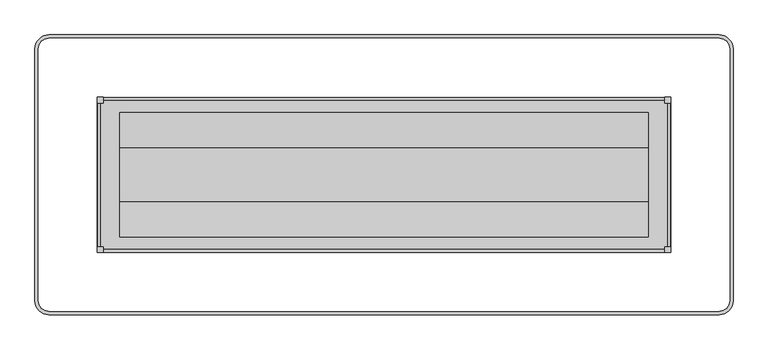
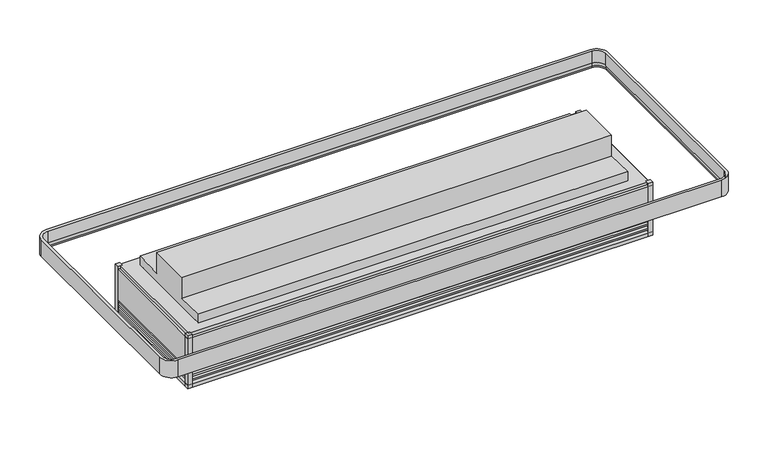
"""IFC4 building model written with IfcOpenShell, lengths in millimetres: proxy geometry."""

from ifc_helpers import new_model, si_unit, point, frame, frame_2d, origin, origin_with_axes, place, context, project, spatial, polyline, circle_curve, ellipse_curve, trimmed, segment, composite_curve, outline, extrude, source, transform, mapped, element, save
from ifc_brep_helpers import plane_surface, cylinder_surface, revolved_surface, advanced_brep


def mechanical_equipment_ae45bd52(model_context):
    return source(origin(), model_context, "Body", "SolidModel", [
        extrude(outline(polyline([(3085.8846585, -1349.5419805), (3390.6846585, -1349.5419805), (3390.6846585, -1451.1419805), (3085.8846585, -1451.1419805), (3085.8846585, -1349.5419805)])), frame((0.0, 0.0, 139.7), z_axis=(0.0, 0.0, 1.0), x_axis=(1.0, 0.0, 0.0)), (0.0, 0.0, 1.0), 53.975),
        extrude(outline(polyline([(3479.3606927, -1585.0986858), (3479.3606927, -1555.06782), (3509.3915585, -1555.06782), (3509.3915585, -1585.0986858), (3479.3606927, -1585.0986858)])), origin_with_axes(), (0.0, 0.0, 1.0), 374.65),
        extrude(outline(polyline([(3479.3606927, -741.6905688), (3509.3915585, -741.6905688), (3509.3915585, -771.7214346), (3479.3606927, -771.7214346), (3479.3606927, -741.6905688)])), origin_with_axes(), (0.0, 0.0, 1.0), 374.65),
        extrude(outline(polyline([(422.7143073, -1585.0986858), (392.6834415, -1585.0986858), (392.6834415, -1555.06782), (422.7143073, -1555.06782), (422.7143073, -1585.0986858)])), origin_with_axes(), (0.0, 0.0, 1.0), 374.65),
        extrude(outline(polyline([(422.7143073, -741.6905688), (422.7143073, -771.7214346), (392.6834415, -771.7214346), (392.6834415, -741.6905688), (422.7143073, -741.6905688)])), origin_with_axes(), (0.0, 0.0, 1.0), 374.65),
        advanced_brep(
        [(71.1725663, -1849.24485, 418.2976265), (128.5372773, -1906.609561, 418.2976265), (128.5372773, -1910.71285, 395.026718), (67.0692773, -1849.24485, 395.026718), (71.1725663, -1849.24485, 502.405218), (128.5372773, -1906.609561, 502.405218), (52.3316708, -1849.24485, 384.485718), (128.5372773, -1925.4504565, 384.485718), (128.5372773, -1925.4504565, 502.405218), (52.3316708, -1849.24485, 502.405218), (128.5372773, -1910.71285, 384.485718), (67.0692773, -1849.24485, 384.485718), (67.0692773, -477.5444046, 395.026718), (71.1725663, -477.5444046, 418.2976265), (71.1725663, -477.5444046, 502.405218), (52.3316708, -477.5444046, 502.405218), (52.3316708, -477.5444046, 384.485718), (67.0692773, -477.5444046, 384.485718), (128.5372773, -420.1796936, 418.2976265), (128.5372773, -416.0764046, 395.026718), (128.5372773, -420.1796936, 502.405218), (128.5372773, -401.3387981, 384.485718), (128.5372773, -401.3387981, 502.405218), (128.5372773, -416.0764046, 384.485718), (3773.5377227, -416.0764046, 395.026718), (3773.5377227, -420.1796936, 418.2976265), (3773.5377227, -420.1796936, 502.405218), (3773.5377227, -401.3387981, 502.405218), (3773.5377227, -401.3387981, 384.485718), (3773.5377227, -416.0764046, 384.485718), (3830.9024337, -477.5444046, 418.2976265), (3835.0057227, -477.5444046, 395.026718), (3830.9024337, -477.5444046, 502.405218), (3849.7433292, -477.5444046, 384.485718), (3849.7433292, -477.5444046, 502.405218), (3835.0057227, -477.5444046, 384.485718), (3835.0057227, -1849.24485, 395.026718), (3830.9024337, -1849.24485, 418.2976265), (3830.9024337, -1849.24485, 502.405218), (3849.7433292, -1849.24485, 502.405218), (3849.7433292, -1849.24485, 384.485718), (3835.0057227, -1849.24485, 384.485718), (3773.5377227, -1906.609561, 418.2976265), (3773.5377227, -1910.71285, 395.026718), (3773.5377227, -1906.609561, 502.405218), (3773.5377227, -1925.4504565, 384.485718), (3773.5377227, -1925.4504565, 502.405218), (3773.5377227, -1910.71285, 384.485718)],
        [
            (0, 1, circle_curve(frame((128.5372773, -1849.24485, 418.2976265), z_axis=(0.0, 0.0, 1.0), x_axis=(0.0, -1.0, 0.0)), 57.364711)),
            (1, 2),
            (2, 3, circle_curve(frame((128.5372773, -1849.24485, 395.026718), z_axis=(0.0, 0.0, -1.0), x_axis=(0.0, -1.0, 0.0)), 61.468)),
            (3, 0),
            (4, 5, circle_curve(frame((128.5372773, -1849.24485, 502.405218), z_axis=(0.0, 0.0, 1.0), x_axis=(0.0, -1.0, 0.0)), 57.364711)),
            (5, 1),
            (0, 4),
            (6, 7, circle_curve(frame((128.5372773, -1849.24485, 384.485718), z_axis=(0.0, 0.0, 1.0), x_axis=(0.0, -1.0, 0.0)), 76.2056065)),
            (7, 8),
            (8, 9, circle_curve(frame((128.5372773, -1849.24485, 502.405218), z_axis=(0.0, 0.0, -1.0), x_axis=(0.0, -1.0, 0.0)), 76.2056065)),
            (9, 6),
            (2, 10),
            (10, 11, circle_curve(frame((128.5372773, -1849.24485, 384.485718), z_axis=(0.0, 0.0, -1.0), x_axis=(0.0, -1.0, 0.0)), 61.468)),
            (11, 3),
            (3, 12),
            (12, 13),
            (13, 0),
            (13, 14),
            (14, 4),
            (9, 15),
            (15, 16),
            (16, 6),
            (11, 17),
            (17, 12),
            (18, 13, circle_curve(frame((128.5372773, -477.5444046, 418.2976265), z_axis=(0.0, 0.0, 1.0), x_axis=(-1.0, 0.0, 0.0)), 57.364711)),
            (12, 19, circle_curve(frame((128.5372773, -477.5444046, 395.026718), z_axis=(0.0, 0.0, -1.0), x_axis=(-1.0, 0.0, 0.0)), 61.468)),
            (19, 18),
            (20, 14, circle_curve(frame((128.5372773, -477.5444046, 502.405218), z_axis=(0.0, 0.0, 1.0), x_axis=(-1.0, 0.0, 0.0)), 57.364711)),
            (18, 20),
            (21, 16, circle_curve(frame((128.5372773, -477.5444046, 384.485718), z_axis=(0.0, 0.0, 1.0), x_axis=(-1.0, 0.0, 0.0)), 76.2056065)),
            (15, 22, circle_curve(frame((128.5372773, -477.5444046, 502.405218), z_axis=(0.0, 0.0, -1.0), x_axis=(-1.0, 0.0, 0.0)), 76.2056065)),
            (22, 21),
            (17, 23, circle_curve(frame((128.5372773, -477.5444046, 384.485718), z_axis=(0.0, 0.0, -1.0), x_axis=(-1.0, 0.0, 0.0)), 61.468)),
            (23, 19),
            (19, 24),
            (24, 25),
            (25, 18),
            (25, 26),
            (26, 20),
            (22, 27),
            (27, 28),
            (28, 21),
            (23, 29),
            (29, 24),
            (30, 25, circle_curve(frame((3773.5377227, -477.5444046, 418.2976265), z_axis=(0.0, 0.0, 1.0), x_axis=(0.0, 1.0, 0.0)), 57.364711)),
            (24, 31, circle_curve(frame((3773.5377227, -477.5444046, 395.026718), z_axis=(0.0, 0.0, -1.0), x_axis=(0.0, 1.0, 0.0)), 61.468)),
            (31, 30),
            (32, 26, circle_curve(frame((3773.5377227, -477.5444046, 502.405218), z_axis=(0.0, 0.0, 1.0), x_axis=(0.0, 1.0, 0.0)), 57.364711)),
            (30, 32),
            (33, 28, circle_curve(frame((3773.5377227, -477.5444046, 384.485718), z_axis=(0.0, 0.0, 1.0), x_axis=(0.0, 1.0, 0.0)), 76.2056065)),
            (27, 34, circle_curve(frame((3773.5377227, -477.5444046, 502.405218), z_axis=(0.0, 0.0, -1.0), x_axis=(0.0, 1.0, 0.0)), 76.2056065)),
            (34, 33),
            (29, 35, circle_curve(frame((3773.5377227, -477.5444046, 384.485718), z_axis=(0.0, 0.0, -1.0), x_axis=(0.0, 1.0, 0.0)), 61.468)),
            (35, 31),
            (31, 36),
            (36, 37),
            (37, 30),
            (37, 38),
            (38, 32),
            (34, 39),
            (39, 40),
            (40, 33),
            (35, 41),
            (41, 36),
            (42, 37, circle_curve(frame((3773.5377227, -1849.24485, 418.2976265), z_axis=(0.0, 0.0, 1.0), x_axis=(1.0, 0.0, 0.0)), 57.364711)),
            (36, 43, circle_curve(frame((3773.5377227, -1849.24485, 395.026718), z_axis=(0.0, 0.0, -1.0), x_axis=(1.0, 0.0, 0.0)), 61.468)),
            (43, 42),
            (44, 38, circle_curve(frame((3773.5377227, -1849.24485, 502.405218), z_axis=(0.0, 0.0, 1.0), x_axis=(1.0, 0.0, 0.0)), 57.364711)),
            (42, 44),
            (45, 40, circle_curve(frame((3773.5377227, -1849.24485, 384.485718), z_axis=(0.0, 0.0, 1.0), x_axis=(1.0, 0.0, 0.0)), 76.2056065)),
            (39, 46, circle_curve(frame((3773.5377227, -1849.24485, 502.405218), z_axis=(0.0, 0.0, -1.0), x_axis=(1.0, 0.0, 0.0)), 76.2056065)),
            (46, 45),
            (41, 47, circle_curve(frame((3773.5377227, -1849.24485, 384.485718), z_axis=(0.0, 0.0, -1.0), x_axis=(1.0, 0.0, 0.0)), 61.468)),
            (47, 43),
            (43, 2),
            (1, 42),
            (5, 44),
            (8, 46),
            (7, 45),
            (10, 47),
        ],
        [
            revolved_surface(polyline([(128.5372773, -1910.71285, 395.026718), (128.5372773, -1906.609561, 418.2976265)]), (128.5372773, -1849.24485, 0.0), (0.0, 0.0, -1.0)),
            revolved_surface(polyline([(128.5372773, -1906.609561, 418.2976265), (128.5372773, -1906.609561, 502.405218)]), (128.5372773, -1849.24485, 0.0), (0.0, 0.0, -1.0)),
            cylinder_surface(frame((128.5372773, -1849.24485, 0.0), z_axis=(0.0, 0.0, -1.0), x_axis=(0.0, -1.0, 0.0)), 76.2056065),
            revolved_surface(polyline([(128.5372773, -1910.7128500000001, 384.485718), (128.5372773, -1910.7128500000001, 395.026718)]), (128.5372773, -1849.24485, 0.0), (0.0, 0.0, -1.0)),
            plane_surface(frame((67.0692773, -1849.24485, 395.026718), z_axis=(0.9848077530122059, 0.0, -0.17364817766694263), x_axis=(0.0, 1.0, 0.0))),
            plane_surface(frame((71.1725663, -1849.24485, 418.2976265), z_axis=(1.0, 0.0, 0.0), x_axis=(0.0, 1.0, 0.0))),
            plane_surface(frame((52.3316708, -1849.24485, 502.405218), z_axis=(-1.0, 0.0, 0.0), x_axis=(0.0, 1.0, 0.0))),
            plane_surface(frame((67.0692773, -1849.24485, 384.485718), z_axis=(1.0, 0.0, 0.0), x_axis=(0.0, 1.0, 0.0))),
            revolved_surface(polyline([(67.0692773, -477.5444046, 395.026718), (71.1725663, -477.5444046, 418.2976265)]), (128.5372773, -477.5444046, 0.0), (0.0, 0.0, -1.0)),
            revolved_surface(polyline([(71.1725663, -477.5444046, 418.2976265), (71.1725663, -477.5444046, 502.405218)]), (128.5372773, -477.5444046, 0.0), (0.0, 0.0, -1.0)),
            cylinder_surface(frame((128.5372773, -477.5444046, 0.0), z_axis=(0.0, 0.0, -1.0), x_axis=(-1.0, 0.0, 0.0)), 76.2056065),
            revolved_surface(polyline([(67.0692773, -477.5444046, 384.485718), (67.0692773, -477.5444046, 395.026718)]), (128.5372773, -477.5444046, 0.0), (0.0, 0.0, -1.0)),
            plane_surface(frame((128.5372773, -416.0764046, 395.026718), z_axis=(0.0, -0.9848077530122059, -0.17364817766694263), x_axis=(1.0, 0.0, 0.0))),
            plane_surface(frame((128.5372773, -420.1796936, 418.2976265), z_axis=(0.0, -1.0, 0.0), x_axis=(1.0, 0.0, 0.0))),
            plane_surface(frame((128.5372773, -401.3387981, 502.405218), z_axis=(0.0, 1.0, 0.0), x_axis=(1.0, 0.0, 0.0))),
            plane_surface(frame((128.5372773, -416.0764046, 384.485718), z_axis=(0.0, -1.0, 0.0), x_axis=(1.0, 0.0, 0.0))),
            revolved_surface(polyline([(3773.5377227, -416.0764046, 395.026718), (3773.5377227, -420.1796936, 418.2976265)]), (3773.5377227, -477.5444046, 0.0), (0.0, 0.0, -1.0)),
            revolved_surface(polyline([(3773.5377227, -420.1796936, 418.2976265), (3773.5377227, -420.1796936, 502.405218)]), (3773.5377227, -477.5444046, 0.0), (0.0, 0.0, -1.0)),
            cylinder_surface(frame((3773.5377227, -477.5444046, 0.0), z_axis=(0.0, 0.0, -1.0), x_axis=(0.0, 1.0, 0.0)), 76.2056065),
            revolved_surface(polyline([(3773.5377227, -416.0764046, 384.485718), (3773.5377227, -416.0764046, 395.026718)]), (3773.5377227, -477.5444046, 0.0), (0.0, 0.0, -1.0)),
            plane_surface(frame((3835.0057227, -477.5444046, 395.026718), z_axis=(-0.9848077530122059, 0.0, -0.17364817766694263), x_axis=(0.0, -1.0, 0.0))),
            plane_surface(frame((3830.9024337, -477.5444046, 418.2976265), z_axis=(-1.0, 0.0, 0.0), x_axis=(0.0, -1.0, 0.0))),
            plane_surface(frame((3849.7433292, -477.5444046, 502.405218), z_axis=(1.0, 0.0, 0.0), x_axis=(0.0, -1.0, 0.0))),
            plane_surface(frame((3835.0057227, -477.5444046, 384.485718), z_axis=(-1.0, 0.0, 0.0), x_axis=(0.0, -1.0, 0.0))),
            revolved_surface(polyline([(3835.0057227, -1849.24485, 395.026718), (3830.9024337, -1849.24485, 418.2976265)]), (3773.5377227, -1849.24485, 0.0), (0.0, 0.0, -1.0)),
            revolved_surface(polyline([(3830.9024337, -1849.24485, 418.2976265), (3830.9024337, -1849.24485, 502.405218)]), (3773.5377227, -1849.24485, 0.0), (0.0, 0.0, -1.0)),
            cylinder_surface(frame((3773.5377227, -1849.24485, 0.0), z_axis=(0.0, 0.0, -1.0), x_axis=(1.0, 0.0, 0.0)), 76.2056065),
            revolved_surface(polyline([(3835.0057226999998, -1849.24485, 384.485718), (3835.0057226999998, -1849.24485, 395.026718)]), (3773.5377227, -1849.24485, 0.0), (0.0, 0.0, -1.0)),
            plane_surface(frame((3773.5377227, -1910.71285, 395.026718), z_axis=(0.0, 0.9848077530122059, -0.17364817766694263), x_axis=(-1.0, 0.0, 0.0))),
            plane_surface(frame((3773.5377227, -1906.609561, 418.2976265), z_axis=(0.0, 1.0, 0.0), x_axis=(-1.0, 0.0, 0.0))),
            plane_surface(frame((3773.5377227, -1906.609561, 502.405218), z_axis=(0.0, 0.0, 1.0), x_axis=(-1.0, 0.0, 0.0))),
            plane_surface(frame((3773.5377227, -1925.4504565, 502.405218), z_axis=(0.0, -1.0, 0.0), x_axis=(-1.0, 0.0, 0.0))),
            plane_surface(frame((3773.5377227, -1925.4504565, 384.485718), z_axis=(0.0, 0.0, -1.0), x_axis=(-1.0, 0.0, 0.0))),
            plane_surface(frame((3773.5377227, -1910.71285, 384.485718), z_axis=(0.0, 1.0, 0.0), x_axis=(-1.0, 0.0, 0.0))),
        ],
        [
            (0, [[1, 2, 3, 4]]),
            (1, [[5, 6, -1, 7]]),
            (2, [[8, 9, 10, 11]]),
            (3, [[-3, 12, 13, 14]]),
            (4, [[-4, 15, 16, 17]]),
            (5, [[-7, -17, 18, 19]]),
            (6, [[-11, 20, 21, 22]]),
            (7, [[-14, 23, 24, -15]]),
            (8, [[25, -16, 26, 27]]),
            (9, [[28, -18, -25, 29]]),
            (10, [[30, -21, 31, 32]]),
            (11, [[-26, -24, 33, 34]]),
            (12, [[-27, 35, 36, 37]]),
            (13, [[-29, -37, 38, 39]]),
            (14, [[-32, 40, 41, 42]]),
            (15, [[-34, 43, 44, -35]]),
            (16, [[45, -36, 46, 47]]),
            (17, [[48, -38, -45, 49]]),
            (18, [[50, -41, 51, 52]]),
            (19, [[-46, -44, 53, 54]]),
            (20, [[-47, 55, 56, 57]]),
            (21, [[-49, -57, 58, 59]]),
            (22, [[-52, 60, 61, 62]]),
            (23, [[-54, 63, 64, -55]]),
            (24, [[65, -56, 66, 67]]),
            (25, [[68, -58, -65, 69]]),
            (26, [[70, -61, 71, 72]]),
            (27, [[-66, -64, 73, 74]]),
            (28, [[-67, 75, -2, 76]]),
            (29, [[-69, -76, -6, 77]]),
            (30, [[78, -71, -60, -51, -40, -31, -20, -10], [-59, -68, -77, -5, -19, -28, -39, -48]]),
            (31, [[-72, -78, -9, 79]]),
            (32, [[-62, -70, -79, -8, -22, -30, -42, -50], [80, -73, -63, -53, -43, -33, -23, -13]]),
            (33, [[-74, -80, -12, -75]]),
        ],
    ),
        extrude(outline(composite_curve([segment(trimmed(circle_curve(frame_2d((1951.0375, -1163.895984)), 19.05), [point((1931.9875, -1163.895984))], [point((1970.0875, -1163.895984))], False, "CARTESIAN"), True, "CONTINUOUS"), segment(trimmed(circle_curve(frame_2d((1951.0375, -1163.895984)), 19.05), [point((1970.0875, -1163.895984))], [point((1931.9875, -1163.895984))], False, "CARTESIAN"), True, "CONTINUOUS")], self_intersect=False)), frame((0.0, 0.0, 65.7084982), z_axis=(0.0, 0.0, 1.0), x_axis=(1.0, 0.0, 0.0)), (0.0, 0.0, 1.0), 188.2915018),
        extrude(outline(composite_curve([segment(trimmed(circle_curve(frame_2d((927.243196, -839.5446273)), 11.1125), [point((916.130696, -839.5446273))], [point((938.355696, -839.5446273))], False, "CARTESIAN"), True, "CONTINUOUS"), segment(trimmed(circle_curve(frame_2d((927.243196, -839.5446273)), 11.1125), [point((938.355696, -839.5446273))], [point((916.130696, -839.5446273))], False, "CARTESIAN"), True, "CONTINUOUS")], self_intersect=False)), frame((0.0, 0.0, 76.8737583), z_axis=(0.0, 0.0, 1.0), x_axis=(1.0, 0.0, 0.0)), (0.0, 0.0, 1.0), 177.1262417),
        extrude(outline(composite_curve([segment(trimmed(circle_curve(frame_2d((952.1028435, -839.5446273)), 4.7625), [point((947.3403435, -839.5446273))], [point((956.8653435, -839.5446273))], False, "CARTESIAN"), True, "CONTINUOUS"), segment(trimmed(circle_curve(frame_2d((952.1028435, -839.5446273)), 4.7625), [point((956.8653435, -839.5446273))], [point((947.3403435, -839.5446273))], False, "CARTESIAN"), True, "CONTINUOUS")], self_intersect=False)), frame((0.0, 0.0, 76.8737583), z_axis=(0.0, 0.0, 1.0), x_axis=(1.0, 0.0, 0.0)), (0.0, 0.0, 1.0), 177.1262417),
        advanced_brep(
        [(392.9194211, -1584.8627062, 354.3983804), (392.9194211, -1584.8627062, 139.7), (3509.1555789, -1584.8627062, 139.7), (3509.1555789, -1584.8627062, 354.3983804), (410.8264211, -1566.9557062, 374.65), (410.8264211, -1566.9557062, 354.3983804), (3491.2485789, -1566.9557062, 354.3983804), (3491.2485789, -1566.9557062, 374.65), (512.4264211, -1465.3557062, 139.7), (512.4264211, -1465.3557062, 374.65), (3389.6485789, -1465.3557062, 374.65), (3389.6485789, -1465.3557062, 198.7540798), (3082.5866321, -1465.3557062, 198.7540798), (3082.5866321, -1465.3557062, 139.7), (3509.1555789, -741.9265484, 139.7), (3509.1555789, -741.9265484, 354.3983804), (3491.2485789, -759.8335484, 354.3983804), (3491.2485789, -759.8335484, 374.65), (3389.6485789, -861.4335484, 374.65), (3389.6485789, -861.4335484, 139.7), (3389.6485789, -1332.4893336, 139.7), (3389.6485789, -1332.4893336, 198.7540798), (392.9194211, -741.9265484, 139.7), (392.9194211, -741.9265484, 354.3983804), (410.8264211, -759.8335484, 354.3983804), (410.8264211, -759.8335484, 374.65), (512.4264211, -861.4335484, 374.65), (512.4264211, -861.4335484, 139.7), (918.3888558, -861.4335484, 139.7), (918.3888558, -861.4335484, 254.0), (964.3861442, -861.4335484, 254.0), (964.3861442, -861.4335484, 139.7), (3082.5866321, -1468.1946273, 139.7), (3393.7366321, -1468.1946273, 139.7), (3393.7366321, -1332.4893336, 139.7), (973.1375, -839.5446273, 139.7), (909.6375, -839.5446273, 139.7), (909.6375, -839.5446273, 254.0), (973.1375, -839.5446273, 254.0), (3393.7366321, -1332.4893336, 198.7540798), (3393.7366321, -1468.1946273, 198.7540798), (3082.5866321, -1468.1946273, 198.7540798)],
        [
            (0, 1),
            (1, 2),
            (2, 3),
            (3, 0),
            (4, 5),
            (5, 6),
            (6, 7),
            (7, 4),
            (8, 9),
            (9, 10),
            (10, 11),
            (11, 12),
            (12, 13),
            (13, 8),
            (2, 14),
            (14, 15),
            (15, 3),
            (6, 16),
            (16, 17),
            (17, 7),
            (10, 18),
            (18, 19),
            (19, 20),
            (20, 21),
            (21, 11),
            (14, 22),
            (22, 23),
            (23, 15),
            (16, 24),
            (24, 25),
            (25, 17),
            (18, 26),
            (26, 27),
            (27, 28),
            (28, 29),
            (29, 30),
            (30, 31),
            (31, 19),
            (0, 23),
            (22, 1),
            (5, 24),
            (4, 25),
            (9, 26),
            (8, 27),
            (13, 32),
            (32, 33),
            (33, 34),
            (34, 20),
            (31, 35, circle_curve(frame((941.3875, -839.5446273, 139.7), z_axis=(0.0, 0.0, 1.0), x_axis=(1.0, 0.0, 0.0)), 31.75)),
            (35, 36, circle_curve(frame((941.3875, -839.5446273, 139.7), z_axis=(0.0, 0.0, 1.0), x_axis=(1.0, 0.0, 0.0)), 31.75)),
            (36, 28, circle_curve(frame((941.3875, -839.5446273, 139.7), z_axis=(0.0, 0.0, 1.0), x_axis=(1.0, 0.0, 0.0)), 31.75)),
            (37, 38, circle_curve(frame((941.3875, -839.5446273, 254.0), z_axis=(0.0, 0.0, -1.0), x_axis=(1.0, 0.0, 0.0)), 31.75)),
            (38, 30, circle_curve(frame((941.3875, -839.5446273, 254.0), z_axis=(0.0, 0.0, -1.0), x_axis=(1.0, 0.0, 0.0)), 31.75)),
            (29, 37, circle_curve(frame((941.3875, -839.5446273, 254.0), z_axis=(0.0, 0.0, -1.0), x_axis=(1.0, 0.0, 0.0)), 31.75)),
            (38, 35),
            (36, 37),
            (39, 40),
            (40, 41),
            (41, 12),
            (21, 39),
            (40, 33),
            (32, 41),
            (39, 34),
        ],
        [
            plane_surface(frame((392.9194211, -1584.8627062, 139.7), z_axis=(0.0, -1.0, 0.0), x_axis=(1.0, 0.0, 0.0))),
            plane_surface(frame((410.8264211, -1566.9557062, 354.3983804), z_axis=(0.0, -1.0, 0.0), x_axis=(1.0, 0.0, 0.0))),
            plane_surface(frame((512.4264211, -1465.3557062, 374.65), z_axis=(0.0, 1.0, 0.0), x_axis=(1.0, 0.0, 0.0))),
            plane_surface(frame((3509.1555789, -1584.8627062, 139.7), z_axis=(1.0, 0.0, 0.0), x_axis=(0.0, 1.0, 0.0))),
            plane_surface(frame((3491.2485789, -1566.9557062, 354.3983804), z_axis=(1.0, 0.0, 0.0), x_axis=(0.0, 1.0, 0.0))),
            plane_surface(frame((3389.6485789, -1465.3557062, 374.65), z_axis=(-1.0, 0.0, 0.0), x_axis=(0.0, 1.0, 0.0))),
            plane_surface(frame((3509.1555789, -741.9265484, 139.7), z_axis=(0.0, 1.0, 0.0), x_axis=(-1.0, 0.0, 0.0))),
            plane_surface(frame((3491.2485789, -759.8335484, 354.3983804), z_axis=(0.0, 1.0, 0.0), x_axis=(-1.0, 0.0, 0.0))),
            plane_surface(frame((3389.6485789, -861.4335484, 374.65), z_axis=(0.0, -1.0, 0.0), x_axis=(-1.0, 0.0, 0.0))),
            plane_surface(frame((392.9194211, -741.9265484, 139.7), z_axis=(-1.0, 0.0, 0.0), x_axis=(0.0, -1.0, 0.0))),
            plane_surface(frame((392.9194211, -741.9265484, 354.3983804), z_axis=(0.0, 0.0, 1.0), x_axis=(0.0, -1.0, 0.0))),
            plane_surface(frame((410.8264211, -759.8335484, 354.3983804), z_axis=(-1.0, 0.0, 0.0), x_axis=(0.0, -1.0, 0.0))),
            plane_surface(frame((410.8264211, -759.8335484, 374.65), z_axis=(0.0, 0.0, 1.0), x_axis=(0.0, -1.0, 0.0))),
            plane_surface(frame((512.4264211, -861.4335484, 374.65), z_axis=(1.0, 0.0, 0.0), x_axis=(0.0, -1.0, 0.0))),
            plane_surface(frame((512.4264211, -861.4335484, 139.7), z_axis=(0.0, 0.0, -1.0), x_axis=(0.0, -1.0, 0.0))),
            plane_surface(frame((973.1375, -839.5446273, 254.0), z_axis=(0.0, 0.0, -1.0), x_axis=(0.0, 1.0, 0.0))),
            revolved_surface(polyline([(973.1375, -839.5446273, 254.0), (973.1375, -839.5446273, 139.7)]), (941.3875, -839.5446273, 0.0), (0.0, 0.0, 1.0)),
            plane_surface(frame((3393.7366321, -1468.1946273, 198.7540798), z_axis=(0.0, 0.0, -1.0), x_axis=(1.0, 0.0, 0.0))),
            plane_surface(frame((3082.5866321, -1468.1946273, 198.7540798), z_axis=(0.0, 1.0, 0.0), x_axis=(0.0, 0.0, -1.0))),
            plane_surface(frame((3393.7366321, -1468.1946273, 198.7540798), z_axis=(-1.0, 0.0, 0.0), x_axis=(0.0, 0.0, -1.0))),
            plane_surface(frame((3393.7366321, -1332.4893336, 198.7540798), z_axis=(0.0, -1.0, 0.0), x_axis=(0.0, 0.0, -1.0))),
            plane_surface(frame((3082.5866321, -1332.4893336, 198.7540798), z_axis=(1.0, 0.0, 0.0), x_axis=(0.0, 0.0, -1.0))),
        ],
        [
            (0, [[1, 2, 3, 4]]),
            (1, [[5, 6, 7, 8]]),
            (2, [[9, 10, 11, 12, 13, 14]]),
            (3, [[-3, 15, 16, 17]]),
            (4, [[-7, 18, 19, 20]]),
            (5, [[21, 22, 23, 24, 25, -11]]),
            (6, [[-16, 26, 27, 28]]),
            (7, [[-19, 29, 30, 31]]),
            (8, [[-22, 32, 33, 34, 35, 36, 37, 38]]),
            (9, [[-1, 39, -27, 40]]),
            (10, [[-4, -17, -28, -39], [-6, 41, -29, -18]]),
            (11, [[-5, 42, -30, -41]]),
            (12, [[-8, -20, -31, -42], [-10, 43, -32, -21]]),
            (13, [[-9, 44, -33, -43]]),
            (14, [[-2, -40, -26, -15], [-44, -14, 45, 46, 47, 48, -23, -38, 49, 50, 51, -34]]),
            (15, [[52, 53, -36, 54]]),
            (16, [[-53, 55, -49, -37]]),
            (16, [[-54, -35, -51, 56]]),
            (16, [[-52, -56, -50, -55]]),
            (17, [[57, 58, 59, -12, -25, 60]]),
            (18, [[-58, 61, -46, 62]]),
            (19, [[-57, 63, -47, -61]]),
            (20, [[-60, -24, -48, -63]]),
            (21, [[-59, -62, -45, -13]]),
        ],
    ),
        advanced_brep(
        [(3389.6485789, -861.4335484, 374.65), (3389.6485789, -824.9422387, 374.65), (3389.6485789, -824.9422387, 439.7810985), (3389.6485789, -1018.3801194, 432.6802077), (3389.6485789, -1018.3801194, 581.214329), (3389.6485789, -1308.4091352, 581.214329), (3389.6485789, -1308.4091352, 432.6802077), (3389.6485789, -1501.8470159, 439.7810985), (3389.6485789, -1501.8470159, 374.65), (3389.6485789, -1465.3557062, 374.65), (3389.6485789, -1465.3557062, 198.7540798), (3389.6485789, -1332.4893336, 198.7540798), (3389.6485789, -1332.4893336, 139.7), (3389.6485789, -861.4335484, 139.7), (512.4264211, -861.4335484, 374.65), (512.4264211, -861.4335484, 139.7), (512.4264211, -1465.3557062, 139.7), (512.4264211, -1465.3557062, 374.65), (512.4264211, -1501.8470159, 374.65), (512.4264211, -1501.8470159, 439.7810985), (512.4264211, -1308.4091352, 432.6802077), (512.4264211, -1308.4091352, 581.214329), (512.4264211, -1018.3801194, 581.214329), (512.4264211, -1018.3801194, 432.6802077), (512.4264211, -824.9422387, 439.7810985), (512.4264211, -824.9422387, 374.65), (3082.5866321, -1465.3557062, 139.7), (3082.5866321, -1465.3557062, 198.7540798), (918.3888558, -861.4335484, 139.7), (964.3861442, -861.4335484, 139.7), (3082.5866321, -1332.4893336, 139.7), (1925.6375, -1163.895984, 139.7), (1976.4375, -1163.895984, 139.7), (964.3861442, -861.4335484, 254.0), (918.3888558, -861.4335484, 254.0), (1925.6375, -1163.895984, 254.0), (1976.4375, -1163.895984, 254.0), (3082.5866321, -1332.4893336, 198.7540798)],
        [
            (0, 1),
            (1, 2),
            (2, 3),
            (3, 4),
            (4, 5),
            (5, 6),
            (6, 7),
            (7, 8),
            (8, 9),
            (9, 10),
            (10, 11),
            (11, 12),
            (12, 13),
            (13, 0),
            (14, 15),
            (15, 16),
            (16, 17),
            (17, 18),
            (18, 19),
            (19, 20),
            (20, 21),
            (21, 22),
            (22, 23),
            (23, 24),
            (24, 25),
            (25, 14),
            (0, 14),
            (25, 1),
            (3, 23),
            (22, 4),
            (21, 5),
            (20, 6),
            (16, 26),
            (26, 27),
            (27, 10),
            (9, 17),
            (15, 28),
            (28, 29, circle_curve(frame((941.3875, -839.5446273, 139.7), z_axis=(0.0, 0.0, 1.0), x_axis=(1.0, 0.0, 0.0)), 31.75)),
            (29, 13),
            (12, 30),
            (30, 26),
            (31, 32, circle_curve(frame((1951.0375, -1163.895984, 139.7), z_axis=(0.0, 0.0, 1.0), x_axis=(1.0, 0.0, 0.0)), 25.4)),
            (32, 31, circle_curve(frame((1951.0375, -1163.895984, 139.7), z_axis=(0.0, 0.0, 1.0), x_axis=(1.0, 0.0, 0.0)), 25.4)),
            (29, 33),
            (33, 34),
            (34, 28),
            (24, 2),
            (19, 7),
            (18, 8),
            (33, 34, circle_curve(frame((941.3875, -839.5446273, 254.0), z_axis=(0.0, 0.0, -1.0), x_axis=(1.0, 0.0, 0.0)), 31.75)),
            (35, 36, circle_curve(frame((1951.0375, -1163.895984, 254.0), z_axis=(0.0, 0.0, -1.0), x_axis=(1.0, 0.0, 0.0)), 25.4)),
            (36, 35, circle_curve(frame((1951.0375, -1163.895984, 254.0), z_axis=(0.0, 0.0, -1.0), x_axis=(1.0, 0.0, 0.0)), 25.4)),
            (36, 32),
            (31, 35),
            (27, 37),
            (37, 11),
            (37, 30),
        ],
        [
            plane_surface(frame((3389.6485789, -861.4335484, 374.65), z_axis=(1.0, 0.0, 0.0), x_axis=(0.0, 1.0, 0.0))),
            plane_surface(frame((512.4264211, -861.4335484, 374.65), z_axis=(-1.0, 0.0, 0.0), x_axis=(0.0, -1.0, 0.0))),
            plane_surface(frame((3389.6485789, -861.4335484, 374.65), z_axis=(0.0, 0.0, -1.0), x_axis=(-1.0, 0.0, 0.0))),
            plane_surface(frame((3389.6485789, -1018.3801194, 432.6802077), z_axis=(0.0, 1.0, 0.0), x_axis=(-1.0, 0.0, 0.0))),
            plane_surface(frame((3389.6485789, -1018.3801194, 581.214329), z_axis=(0.0, 0.0, 1.0), x_axis=(-1.0, 0.0, 0.0))),
            plane_surface(frame((3389.6485789, -1308.4091352, 581.214329), z_axis=(0.0, -1.0, 0.0), x_axis=(-1.0, 0.0, 0.0))),
            plane_surface(frame((3389.6485789, -1465.3557062, 374.65), z_axis=(0.0, -1.0, 0.0), x_axis=(-1.0, 0.0, 0.0))),
            plane_surface(frame((3389.6485789, -1465.3557062, 139.7), z_axis=(0.0, 0.0, -1.0), x_axis=(-1.0, 0.0, 0.0))),
            plane_surface(frame((3389.6485789, -861.4335484, 139.7), z_axis=(0.0, 1.0, 0.0), x_axis=(-1.0, 0.0, 0.0))),
            plane_surface(frame((3389.6485789, -824.9422387, 374.65), z_axis=(0.0, 1.0, 0.0), x_axis=(-1.0, 0.0, 0.0))),
            plane_surface(frame((3389.6485789, -824.9422387, 439.7810985), z_axis=(0.0, -0.03668418616411719, 0.9993269087168004), x_axis=(-1.0, 0.0, 0.0))),
            plane_surface(frame((3389.6485789, -1308.4091352, 432.6802077), z_axis=(0.0, 0.03668418616411245, 0.9993269087168006), x_axis=(-1.0, 0.0, 0.0))),
            plane_surface(frame((3389.6485789, -1501.8470159, 439.7810985), z_axis=(0.0, -1.0, 0.0), x_axis=(-1.0, 0.0, 0.0))),
            plane_surface(frame((3389.6485789, -1501.8470159, 374.65), z_axis=(0.0, 0.0, -1.0), x_axis=(-1.0, 0.0, 0.0))),
            plane_surface(frame((973.1375, -839.5446273, 254.0), z_axis=(0.0, 0.0, -1.0), x_axis=(0.0, 1.0, 0.0))),
            revolved_surface(polyline([(973.1375, -839.5446273, 254.0), (973.1375, -839.5446273, 139.7)]), (941.3875, -839.5446273, 0.0), (0.0, 0.0, 1.0)),
            plane_surface(frame((1976.4375, -1163.895984, 254.0), z_axis=(0.0, 0.0, -1.0), x_axis=(0.0, 1.0, 0.0))),
            revolved_surface(polyline([(1976.4375, -1163.895984, 254.0), (1976.4375, -1163.895984, 139.7)]), (1951.0375, -1163.895984, 0.0), (0.0, 0.0, 1.0)),
            plane_surface(frame((3393.7366321, -1468.1946273, 198.7540798), z_axis=(0.0, 0.0, -1.0), x_axis=(1.0, 0.0, 0.0))),
            plane_surface(frame((3393.7366321, -1332.4893336, 198.7540798), z_axis=(0.0, -1.0, 0.0), x_axis=(0.0, 0.0, -1.0))),
            plane_surface(frame((3082.5866321, -1332.4893336, 198.7540798), z_axis=(1.0, 0.0, 0.0), x_axis=(0.0, 0.0, -1.0))),
        ],
        [
            (0, [[1, 2, 3, 4, 5, 6, 7, 8, 9, 10, 11, 12, 13, 14]]),
            (1, [[15, 16, 17, 18, 19, 20, 21, 22, 23, 24, 25, 26]]),
            (2, [[-1, 27, -26, 28]]),
            (3, [[-4, 29, -23, 30]]),
            (4, [[-5, -30, -22, 31]]),
            (5, [[-6, -31, -21, 32]]),
            (6, [[-17, 33, 34, 35, -10, 36]]),
            (7, [[-16, 37, 38, 39, -13, 40, 41, -33], [42, 43]]),
            (8, [[-14, -39, 44, 45, 46, -37, -15, -27]]),
            (9, [[-2, -28, -25, 47]]),
            (10, [[-3, -47, -24, -29]]),
            (11, [[-7, -32, -20, 48]]),
            (12, [[-8, -48, -19, 49]]),
            (13, [[-9, -49, -18, -36]]),
            (14, [[50, -45]]),
            (15, [[-50, -44, -38, -46]]),
            (16, [[51, 52]]),
            (17, [[-52, 53, -42, 54]]),
            (17, [[-51, -54, -43, -53]]),
            (18, [[55, 56, -11, -35]]),
            (19, [[-56, 57, -40, -12]]),
            (20, [[-55, -34, -41, -57]]),
        ],
    ),
        advanced_brep(
        [(406.3012444, -1571.4808829, 34.7363151), (392.6834415, -1585.0986858, 25.1290022), (3509.3915585, -1585.0986858, 25.1290022), (3495.7737556, -1571.4808829, 34.7363151), (3492.2846585, -1567.9917858, 45.9015752), (409.7903415, -1567.9917858, 45.9015752), (3502.9218537, -1578.628981, 43.7437524), (399.1531463, -1578.628981, 43.7437524), (397.1592463, -1580.622881, 56.4437524), (397.1592463, -1580.622881, 43.7437524), (3504.9157537, -1580.622881, 43.7437524), (3504.9157537, -1580.622881, 56.4437524), (3495.7737556, -1571.4808829, 65.7084982), (406.3012444, -1571.4808829, 65.7084982), (3492.2846585, -1567.9917858, 76.8737583), (409.7903415, -1567.9917858, 76.8737583), (3502.9218537, -1578.628981, 74.7159355), (399.1531463, -1578.628981, 74.7159355), (397.1592463, -1580.622881, 87.4159355), (397.1592463, -1580.622881, 74.7159355), (3504.9157537, -1580.622881, 74.7159355), (3504.9157537, -1580.622881, 87.4159355), (3495.7737556, -1571.4808829, 96.6806813), (406.3012444, -1571.4808829, 96.6806813), (3492.2846585, -1567.9917858, 107.7194894), (409.7903415, -1567.9917858, 107.7194894), (3502.9218537, -1578.628981, 105.6883055), (399.1531463, -1578.628981, 105.6883055), (397.1592463, -1580.622881, 118.3883055), (397.1592463, -1580.622881, 105.6883055), (3504.9157537, -1580.622881, 105.6883055), (3504.9157537, -1580.622881, 118.3883055), (3492.2846585, -1567.9917858, 131.0881186), (409.7903415, -1567.9917858, 131.0881186), (3492.2846585, -1567.9917858, 139.7), (409.7903415, -1567.9917858, 139.7), (416.1403415, -1561.6417858, 0.0), (416.1403415, -1561.6417858, 139.7), (3485.9346585, -1561.6417858, 139.7), (3485.9346585, -1561.6417858, 0.0), (392.6834415, -1585.0986858, 0.0), (3509.3915585, -1585.0986858, 0.0), (3509.3915585, -741.6905688, 25.1290022), (3495.7737556, -755.3083717, 34.7363151), (3492.2846585, -758.7974688, 45.9015752), (3502.9218537, -748.1602736, 43.7437524), (3504.9157537, -746.1663736, 43.7437524), (3504.9157537, -746.1663736, 56.4437524), (3495.7737556, -755.3083717, 65.7084982), (3492.2846585, -758.7974688, 76.8737583), (3502.9218537, -748.1602736, 74.7159355), (3504.9157537, -746.1663736, 74.7159355), (3504.9157537, -746.1663736, 87.4159355), (3495.7737556, -755.3083717, 96.6806813), (3492.2846585, -758.7974688, 107.7194894), (3502.9218537, -748.1602736, 105.6883055), (3504.9157537, -746.1663736, 105.6883055), (3504.9157537, -746.1663736, 118.3883055), (3492.2846585, -758.7974688, 131.0881186), (3492.2846585, -758.7974688, 139.7), (3485.9346585, -765.1474688, 139.7), (3485.9346585, -765.1474688, 0.0), (3509.3915585, -741.6905688, 0.0), (392.6834415, -741.6905688, 25.1290022), (406.3012444, -755.3083717, 34.7363151), (409.7903415, -758.7974688, 45.9015752), (399.1531463, -748.1602736, 43.7437524), (397.1592463, -746.1663736, 43.7437524), (397.1592463, -746.1663736, 56.4437524), (406.3012444, -755.3083717, 65.7084982), (409.7903415, -758.7974688, 76.8737583), (399.1531463, -748.1602736, 74.7159355), (397.1592463, -746.1663736, 74.7159355), (397.1592463, -746.1663736, 87.4159355), (406.3012444, -755.3083717, 96.6806813), (409.7903415, -758.7974688, 107.7194894), (399.1531463, -748.1602736, 105.6883055), (397.1592463, -746.1663736, 105.6883055), (397.1592463, -746.1663736, 118.3883055), (409.7903415, -758.7974688, 131.0881186), (409.7903415, -758.7974688, 139.7), (416.1403415, -765.1474688, 139.7), (416.1403415, -765.1474688, 0.0), (392.6834415, -741.6905688, 0.0)],
        [
            (0, 1, ellipse_curve(frame((393.9674072, -1583.8147201, 37.7639313), z_axis=(-0.7071067811865475, 0.7071067811865475, 0.0), x_axis=(0.7071067811865476, 0.7071067811865474, 0.0)), 17.9605122, 12.7)),
            (1, 2),
            (2, 3, ellipse_curve(frame((3508.1075928, -1583.8147201, 37.7639313), z_axis=(0.7071067811865475, 0.7071067811865475, 0.0), x_axis=(0.7071067811865476, -0.7071067811865474, 0.0)), 17.9605122, 12.7)),
            (3, 0),
            (3, 4),
            (4, 5),
            (5, 0),
            (4, 6),
            (6, 7),
            (7, 5),
            (8, 9),
            (9, 10),
            (10, 11),
            (11, 8),
            (11, 12, ellipse_curve(frame((3508.1075928, -1583.8147201, 68.7361144), z_axis=(0.7071067811865475, 0.7071067811865475, 0.0), x_axis=(0.7071067811865476, -0.7071067811865474, 0.0)), 17.9605122, 12.7)),
            (12, 13),
            (13, 8, ellipse_curve(frame((393.9674072, -1583.8147201, 68.7361144), z_axis=(-0.7071067811865475, 0.7071067811865475, 0.0), x_axis=(0.7071067811865476, 0.7071067811865474, 0.0)), 17.9605122, 12.7)),
            (12, 14),
            (14, 15),
            (15, 13),
            (14, 16),
            (16, 17),
            (17, 15),
            (18, 19),
            (19, 20),
            (20, 21),
            (21, 18),
            (21, 22, ellipse_curve(frame((3508.1075928, -1583.8147201, 99.7082975), z_axis=(0.7071067811865475, 0.7071067811865475, 0.0), x_axis=(0.7071067811865476, -0.7071067811865474, 0.0)), 17.9605122, 12.7)),
            (22, 23),
            (23, 18, ellipse_curve(frame((393.9674072, -1583.8147201, 99.7082975), z_axis=(-0.7071067811865475, 0.7071067811865475, 0.0), x_axis=(0.7071067811865476, 0.7071067811865474, 0.0)), 17.9605122, 12.7)),
            (22, 24),
            (24, 25),
            (25, 23),
            (24, 26),
            (26, 27),
            (27, 25),
            (28, 29),
            (29, 30),
            (30, 31),
            (31, 28),
            (31, 32, ellipse_curve(frame((3504.9846585, -1580.6917858, 131.0881186), z_axis=(0.7071067811865475, 0.7071067811865475, 0.0), x_axis=(0.7071067811865476, -0.7071067811865474, 0.0)), 17.9605122, 12.7)),
            (32, 33),
            (33, 28, ellipse_curve(frame((397.0903415, -1580.6917858, 131.0881186), z_axis=(-0.7071067811865475, 0.7071067811865475, 0.0), x_axis=(0.7071067811865476, 0.7071067811865474, 0.0)), 17.9605122, 12.7)),
            (32, 34),
            (34, 35),
            (35, 33),
            (36, 37),
            (37, 38),
            (38, 39),
            (39, 36),
            (1, 40),
            (40, 41),
            (41, 2),
            (2, 42),
            (42, 43, ellipse_curve(frame((3508.1075928, -742.9745345, 37.7639313), z_axis=(-0.7071067811865475, 0.7071067811865475, 0.0), x_axis=(0.7071067811865474, 0.7071067811865476, 0.0)), 17.9605122, 12.7)),
            (43, 3),
            (43, 44),
            (44, 4),
            (44, 45),
            (45, 6),
            (10, 46),
            (46, 47),
            (47, 11),
            (47, 48, ellipse_curve(frame((3508.1075928, -742.9745345, 68.7361144), z_axis=(-0.7071067811865475, 0.7071067811865475, 0.0), x_axis=(0.7071067811865474, 0.7071067811865476, 0.0)), 17.9605122, 12.7)),
            (48, 12),
            (48, 49),
            (49, 14),
            (49, 50),
            (50, 16),
            (20, 51),
            (51, 52),
            (52, 21),
            (52, 53, ellipse_curve(frame((3508.1075928, -742.9745345, 99.7082975), z_axis=(-0.7071067811865475, 0.7071067811865475, 0.0), x_axis=(0.7071067811865474, 0.7071067811865476, 0.0)), 17.9605122, 12.7)),
            (53, 22),
            (53, 54),
            (54, 24),
            (54, 55),
            (55, 26),
            (30, 56),
            (56, 57),
            (57, 31),
            (57, 58, ellipse_curve(frame((3504.9846585, -746.0974688, 131.0881186), z_axis=(-0.7071067811865475, 0.7071067811865475, 0.0), x_axis=(0.7071067811865474, 0.7071067811865476, 0.0)), 17.9605122, 12.7)),
            (58, 32),
            (58, 59),
            (59, 34),
            (38, 60),
            (60, 61),
            (61, 39),
            (41, 62),
            (62, 42),
            (42, 63),
            (63, 64, ellipse_curve(frame((393.9674072, -742.9745345, 37.7639313), z_axis=(-0.7071067811865475, -0.7071067811865475, 0.0), x_axis=(-0.7071067811865476, 0.7071067811865474, 0.0)), 17.9605122, 12.7)),
            (64, 43),
            (64, 65),
            (65, 44),
            (65, 66),
            (66, 45),
            (46, 67),
            (67, 68),
            (68, 47),
            (68, 69, ellipse_curve(frame((393.9674072, -742.9745345, 68.7361144), z_axis=(-0.7071067811865475, -0.7071067811865475, 0.0), x_axis=(-0.7071067811865476, 0.7071067811865474, 0.0)), 17.9605122, 12.7)),
            (69, 48),
            (69, 70),
            (70, 49),
            (70, 71),
            (71, 50),
            (51, 72),
            (72, 73),
            (73, 52),
            (73, 74, ellipse_curve(frame((393.9674072, -742.9745345, 99.7082975), z_axis=(-0.7071067811865475, -0.7071067811865475, 0.0), x_axis=(-0.7071067811865476, 0.7071067811865474, 0.0)), 17.9605122, 12.7)),
            (74, 53),
            (74, 75),
            (75, 54),
            (75, 76),
            (76, 55),
            (56, 77),
            (77, 78),
            (78, 57),
            (78, 79, ellipse_curve(frame((397.0903415, -746.0974688, 131.0881186), z_axis=(-0.7071067811865475, -0.7071067811865475, 0.0), x_axis=(-0.7071067811865476, 0.7071067811865474, 0.0)), 17.9605122, 12.7)),
            (79, 58),
            (79, 80),
            (80, 59),
            (60, 81),
            (81, 82),
            (82, 61),
            (62, 83),
            (83, 63),
            (0, 64),
            (63, 1),
            (5, 65),
            (7, 66),
            (9, 67),
            (8, 68),
            (13, 69),
            (15, 70),
            (17, 71),
            (19, 72),
            (18, 73),
            (23, 74),
            (25, 75),
            (27, 76),
            (29, 77),
            (28, 78),
            (33, 79),
            (35, 80),
            (37, 81),
            (36, 82),
            (40, 83),
        ],
        [
            revolved_surface(polyline([(3520.807592770204, -1571.1147200999999, 37.7639313), (381.26740722979633, -1571.1147200999999, 37.7639313)]), (0.0, -1583.8147201, 37.7639313), (1.0, 0.0, 0.0)),
            plane_surface(frame((406.3012444, -1571.4808829, 34.7363151), z_axis=(0.0, -0.9544811145040197, 0.2982713564108435), x_axis=(1.0, 0.0, 0.0))),
            plane_surface(frame((409.7903415, -1567.9917858, 45.9015752), z_axis=(0.0, 0.19880707887700327, -0.980038644844372), x_axis=(1.0, 0.0, 0.0))),
            plane_surface(frame((397.1592463, -1580.622881, 43.7437524), z_axis=(0.0, -1.0, 0.0), x_axis=(1.0, 0.0, 0.0))),
            revolved_surface(polyline([(3520.807592770204, -1571.1147200999999, 68.7361144), (381.26740722979633, -1571.1147200999999, 68.7361144)]), (0.0, -1583.8147201, 68.7361144), (1.0, 0.0, 0.0)),
            plane_surface(frame((406.3012444, -1571.4808829, 65.7084982), z_axis=(0.0, -0.9544811145040216, 0.2982713564108376), x_axis=(1.0, 0.0, 0.0))),
            plane_surface(frame((409.7903415, -1567.9917858, 76.8737583), z_axis=(0.0, 0.19880707887700252, -0.9800386448443721), x_axis=(1.0, 0.0, 0.0))),
            plane_surface(frame((397.1592463, -1580.622881, 74.7159355), z_axis=(0.0, -1.0, 0.0), x_axis=(1.0, 0.0, 0.0))),
            revolved_surface(polyline([(3520.807592770204, -1571.1147200999999, 99.7082975), (381.26740722979633, -1571.1147200999999, 99.7082975)]), (0.0, -1583.8147201, 99.7082975), (1.0, 0.0, 0.0)),
            plane_surface(frame((406.3012444, -1571.4808829, 96.6806813), z_axis=(0.0, -0.9535043111326494, 0.3013793766193228), x_axis=(1.0, 0.0, 0.0))),
            plane_surface(frame((409.7903415, -1567.9917858, 107.7194894), z_axis=(0.0, 0.18756221551802021, -0.9822527247658679), x_axis=(1.0, 0.0, 0.0))),
            plane_surface(frame((397.1592463, -1580.622881, 105.6883055), z_axis=(0.0, -1.0, 0.0), x_axis=(1.0, 0.0, 0.0))),
            revolved_surface(polyline([(3517.684658470204, -1567.9917858, 131.0881186), (384.39034152979633, -1567.9917858, 131.0881186)]), (0.0, -1580.6917858, 131.0881186), (1.0, 0.0, 0.0)),
            plane_surface(frame((409.7903415, -1567.9917858, 131.0881186), z_axis=(0.0, -1.0, 0.0), x_axis=(1.0, 0.0, 0.0))),
            plane_surface(frame((416.1403415, -1561.6417858, 139.7), z_axis=(0.0, 1.0, 0.0), x_axis=(1.0, 0.0, 0.0))),
            plane_surface(frame((392.6834415, -1585.0986858, 0.0), z_axis=(0.0, -1.0, 0.0), x_axis=(1.0, 0.0, 0.0))),
            revolved_surface(polyline([(3495.4075928, -730.2745345297965, 37.7639313), (3495.4075928, -1596.5147200702036, 37.7639313)]), (3508.1075928, -1977.7821273, 37.7639313), (0.0, 1.0, 0.0)),
            plane_surface(frame((3495.7737556, -1571.4808829, 34.7363151), z_axis=(0.9544811145040197, 0.0, 0.2982713564108435), x_axis=(0.0, 1.0, 0.0))),
            plane_surface(frame((3492.2846585, -1567.9917858, 45.9015752), z_axis=(-0.19880707887700327, 0.0, -0.980038644844372), x_axis=(0.0, 1.0, 0.0))),
            plane_surface(frame((3504.9157537, -1580.622881, 43.7437524), z_axis=(1.0, 0.0, 0.0), x_axis=(0.0, 1.0, 0.0))),
            revolved_surface(polyline([(3495.4075928, -730.2745345297965, 68.7361144), (3495.4075928, -1596.5147200702036, 68.7361144)]), (3508.1075928, -1977.7821273, 68.7361144), (0.0, 1.0, 0.0)),
            plane_surface(frame((3495.7737556, -1571.4808829, 65.7084982), z_axis=(0.9544811145040216, 0.0, 0.2982713564108376), x_axis=(0.0, 1.0, 0.0))),
            plane_surface(frame((3492.2846585, -1567.9917858, 76.8737583), z_axis=(-0.19880707887700252, 0.0, -0.9800386448443721), x_axis=(0.0, 1.0, 0.0))),
            plane_surface(frame((3504.9157537, -1580.622881, 74.7159355), z_axis=(1.0, 0.0, 0.0), x_axis=(0.0, 1.0, 0.0))),
            revolved_surface(polyline([(3495.4075928, -730.2745345297965, 99.7082975), (3495.4075928, -1596.5147200702036, 99.7082975)]), (3508.1075928, -1977.7821273, 99.7082975), (0.0, 1.0, 0.0)),
            plane_surface(frame((3495.7737556, -1571.4808829, 96.6806813), z_axis=(0.9535043111326494, 0.0, 0.3013793766193228), x_axis=(0.0, 1.0, 0.0))),
            plane_surface(frame((3492.2846585, -1567.9917858, 107.7194894), z_axis=(-0.18756221551802021, 0.0, -0.9822527247658679), x_axis=(0.0, 1.0, 0.0))),
            plane_surface(frame((3504.9157537, -1580.622881, 105.6883055), z_axis=(1.0, 0.0, 0.0), x_axis=(0.0, 1.0, 0.0))),
            revolved_surface(polyline([(3492.2846585, -733.3974688297965, 131.0881186), (3492.2846585, -1593.3917857702036, 131.0881186)]), (3504.9846585, -1977.7821273, 131.0881186), (0.0, 1.0, 0.0)),
            plane_surface(frame((3492.2846585, -1567.9917858, 131.0881186), z_axis=(1.0, 0.0, 0.0), x_axis=(0.0, 1.0, 0.0))),
            plane_surface(frame((3485.9346585, -1561.6417858, 139.7), z_axis=(-1.0, 0.0, 0.0), x_axis=(0.0, 1.0, 0.0))),
            plane_surface(frame((3509.3915585, -1585.0986858, 0.0), z_axis=(1.0, 0.0, 0.0), x_axis=(0.0, 1.0, 0.0))),
            revolved_surface(polyline([(381.26740722979594, -755.6745345, 37.7639313), (3520.807592770204, -755.6745345, 37.7639313)]), (3902.075, -742.9745345, 37.7639313), (-1.0, 0.0, 0.0)),
            plane_surface(frame((3495.7737556, -755.3083717, 34.7363151), z_axis=(0.0, 0.9544811145040197, 0.2982713564108435), x_axis=(-1.0, 0.0, 0.0))),
            plane_surface(frame((3492.2846585, -758.7974688, 45.9015752), z_axis=(0.0, -0.19880707887700327, -0.980038644844372), x_axis=(-1.0, 0.0, 0.0))),
            plane_surface(frame((3504.9157537, -746.1663736, 43.7437524), z_axis=(0.0, 1.0, 0.0), x_axis=(-1.0, 0.0, 0.0))),
            revolved_surface(polyline([(381.26740722979594, -755.6745345, 68.7361144), (3520.807592770204, -755.6745345, 68.7361144)]), (3902.075, -742.9745345, 68.7361144), (-1.0, 0.0, 0.0)),
            plane_surface(frame((3495.7737556, -755.3083717, 65.7084982), z_axis=(0.0, 0.9544811145040216, 0.2982713564108376), x_axis=(-1.0, 0.0, 0.0))),
            plane_surface(frame((3492.2846585, -758.7974688, 76.8737583), z_axis=(0.0, -0.19880707887700252, -0.9800386448443721), x_axis=(-1.0, 0.0, 0.0))),
            plane_surface(frame((3504.9157537, -746.1663736, 74.7159355), z_axis=(0.0, 1.0, 0.0), x_axis=(-1.0, 0.0, 0.0))),
            revolved_surface(polyline([(381.26740722979594, -755.6745345, 99.7082975), (3520.807592770204, -755.6745345, 99.7082975)]), (3902.075, -742.9745345, 99.7082975), (-1.0, 0.0, 0.0)),
            plane_surface(frame((3495.7737556, -755.3083717, 96.6806813), z_axis=(0.0, 0.9535043111326494, 0.3013793766193228), x_axis=(-1.0, 0.0, 0.0))),
            plane_surface(frame((3492.2846585, -758.7974688, 107.7194894), z_axis=(0.0, -0.18756221551802021, -0.9822527247658679), x_axis=(-1.0, 0.0, 0.0))),
            plane_surface(frame((3504.9157537, -746.1663736, 105.6883055), z_axis=(0.0, 1.0, 0.0), x_axis=(-1.0, 0.0, 0.0))),
            revolved_surface(polyline([(384.3903415297964, -758.7974688, 131.0881186), (3517.684658470204, -758.7974688, 131.0881186)]), (3902.075, -746.0974688, 131.0881186), (-1.0, 0.0, 0.0)),
            plane_surface(frame((3492.2846585, -758.7974688, 131.0881186), z_axis=(0.0, 1.0, 0.0), x_axis=(-1.0, 0.0, 0.0))),
            plane_surface(frame((3485.9346585, -765.1474688, 139.7), z_axis=(0.0, -1.0, 0.0), x_axis=(-1.0, 0.0, 0.0))),
            plane_surface(frame((3509.3915585, -741.6905688, 0.0), z_axis=(0.0, 1.0, 0.0), x_axis=(-1.0, 0.0, 0.0))),
            revolved_surface(polyline([(406.6674072, -1596.5147200702036, 37.7639313), (406.6674072, -730.2745345297963, 37.7639313)]), (393.9674072, -349.0071273, 37.7639313), (0.0, -1.0, 0.0)),
            plane_surface(frame((406.3012444, -755.3083717, 34.7363151), z_axis=(-0.9544811145040197, 0.0, 0.2982713564108435), x_axis=(0.0, -1.0, 0.0))),
            plane_surface(frame((409.7903415, -758.7974688, 45.9015752), z_axis=(0.19880707887700327, 0.0, -0.980038644844372), x_axis=(0.0, -1.0, 0.0))),
            plane_surface(frame((399.1531463, -748.1602736, 43.7437524), z_axis=(0.0, 0.0, -1.0), x_axis=(0.0, -1.0, 0.0))),
            plane_surface(frame((397.1592463, -746.1663736, 43.7437524), z_axis=(-1.0, 0.0, 0.0), x_axis=(0.0, -1.0, 0.0))),
            revolved_surface(polyline([(406.6674072, -1596.5147200702036, 68.7361144), (406.6674072, -730.2745345297963, 68.7361144)]), (393.9674072, -349.0071273, 68.7361144), (0.0, -1.0, 0.0)),
            plane_surface(frame((406.3012444, -755.3083717, 65.7084982), z_axis=(-0.9544811145040216, 0.0, 0.2982713564108376), x_axis=(0.0, -1.0, 0.0))),
            plane_surface(frame((409.7903415, -758.7974688, 76.8737583), z_axis=(0.19880707887700252, 0.0, -0.9800386448443721), x_axis=(0.0, -1.0, 0.0))),
            plane_surface(frame((399.1531463, -748.1602736, 74.7159355), z_axis=(0.0, 0.0, -1.0), x_axis=(0.0, -1.0, 0.0))),
            plane_surface(frame((397.1592463, -746.1663736, 74.7159355), z_axis=(-1.0, 0.0, 0.0), x_axis=(0.0, -1.0, 0.0))),
            revolved_surface(polyline([(406.6674072, -1596.5147200702036, 99.7082975), (406.6674072, -730.2745345297963, 99.7082975)]), (393.9674072, -349.0071273, 99.7082975), (0.0, -1.0, 0.0)),
            plane_surface(frame((406.3012444, -755.3083717, 96.6806813), z_axis=(-0.9535043111326494, 0.0, 0.3013793766193228), x_axis=(0.0, -1.0, 0.0))),
            plane_surface(frame((409.7903415, -758.7974688, 107.7194894), z_axis=(0.18756221551802021, 0.0, -0.9822527247658679), x_axis=(0.0, -1.0, 0.0))),
            plane_surface(frame((399.1531463, -748.1602736, 105.6883055), z_axis=(0.0, 0.0, -1.0), x_axis=(0.0, -1.0, 0.0))),
            plane_surface(frame((397.1592463, -746.1663736, 105.6883055), z_axis=(-1.0, 0.0, 0.0), x_axis=(0.0, -1.0, 0.0))),
            revolved_surface(polyline([(409.7903415, -1593.3917857702036, 131.0881186), (409.7903415, -733.3974688297963, 131.0881186)]), (397.0903415, -349.0071273, 131.0881186), (0.0, -1.0, 0.0)),
            plane_surface(frame((409.7903415, -758.7974688, 131.0881186), z_axis=(-1.0, 0.0, 0.0), x_axis=(0.0, -1.0, 0.0))),
            plane_surface(frame((409.7903415, -758.7974688, 139.7), z_axis=(0.0, 0.0, 1.0), x_axis=(0.0, -1.0, 0.0))),
            plane_surface(frame((416.1403415, -765.1474688, 139.7), z_axis=(1.0, 0.0, 0.0), x_axis=(0.0, -1.0, 0.0))),
            plane_surface(frame((416.1403415, -765.1474688, 0.0), z_axis=(0.0, 0.0, -1.0), x_axis=(0.0, -1.0, 0.0))),
            plane_surface(frame((392.6834415, -741.6905688, 0.0), z_axis=(-1.0, 0.0, 0.0), x_axis=(0.0, -1.0, 0.0))),
        ],
        [
            (0, [[1, 2, 3, 4]]),
            (1, [[-4, 5, 6, 7]]),
            (2, [[-6, 8, 9, 10]]),
            (3, [[11, 12, 13, 14]]),
            (4, [[-14, 15, 16, 17]]),
            (5, [[-16, 18, 19, 20]]),
            (6, [[-19, 21, 22, 23]]),
            (7, [[24, 25, 26, 27]]),
            (8, [[-27, 28, 29, 30]]),
            (9, [[-29, 31, 32, 33]]),
            (10, [[-32, 34, 35, 36]]),
            (11, [[37, 38, 39, 40]]),
            (12, [[-40, 41, 42, 43]]),
            (13, [[-42, 44, 45, 46]]),
            (14, [[47, 48, 49, 50]]),
            (15, [[-2, 51, 52, 53]]),
            (16, [[-3, 54, 55, 56]]),
            (17, [[-5, -56, 57, 58]]),
            (18, [[-8, -58, 59, 60]]),
            (19, [[-13, 61, 62, 63]]),
            (20, [[-15, -63, 64, 65]]),
            (21, [[-18, -65, 66, 67]]),
            (22, [[-21, -67, 68, 69]]),
            (23, [[-26, 70, 71, 72]]),
            (24, [[-28, -72, 73, 74]]),
            (25, [[-31, -74, 75, 76]]),
            (26, [[-34, -76, 77, 78]]),
            (27, [[-39, 79, 80, 81]]),
            (28, [[-41, -81, 82, 83]]),
            (29, [[-44, -83, 84, 85]]),
            (30, [[-49, 86, 87, 88]]),
            (31, [[-53, 89, 90, -54]]),
            (32, [[-55, 91, 92, 93]]),
            (33, [[-57, -93, 94, 95]]),
            (34, [[-59, -95, 96, 97]]),
            (35, [[-62, 98, 99, 100]]),
            (36, [[-64, -100, 101, 102]]),
            (37, [[-66, -102, 103, 104]]),
            (38, [[-68, -104, 105, 106]]),
            (39, [[-71, 107, 108, 109]]),
            (40, [[-73, -109, 110, 111]]),
            (41, [[-75, -111, 112, 113]]),
            (42, [[-77, -113, 114, 115]]),
            (43, [[-80, 116, 117, 118]]),
            (44, [[-82, -118, 119, 120]]),
            (45, [[-84, -120, 121, 122]]),
            (46, [[-87, 123, 124, 125]]),
            (47, [[-90, 126, 127, -91]]),
            (48, [[-1, 128, -92, 129]]),
            (49, [[-7, 130, -94, -128]]),
            (50, [[-10, 131, -96, -130]]),
            (51, [[-12, 132, -98, -61], [-9, -60, -97, -131]]),
            (52, [[-11, 133, -99, -132]]),
            (53, [[-17, 134, -101, -133]]),
            (54, [[-20, 135, -103, -134]]),
            (55, [[-23, 136, -105, -135]]),
            (56, [[-25, 137, -107, -70], [-22, -69, -106, -136]]),
            (57, [[-24, 138, -108, -137]]),
            (58, [[-30, 139, -110, -138]]),
            (59, [[-33, 140, -112, -139]]),
            (60, [[-36, 141, -114, -140]]),
            (61, [[-38, 142, -116, -79], [-35, -78, -115, -141]]),
            (62, [[-37, 143, -117, -142]]),
            (63, [[-43, 144, -119, -143]]),
            (64, [[-46, 145, -121, -144]]),
            (65, [[-45, -85, -122, -145], [-48, 146, -123, -86]]),
            (66, [[-47, 147, -124, -146]]),
            (67, [[-52, 148, -126, -89], [-50, -88, -125, -147]]),
            (68, [[-51, -129, -127, -148]]),
        ],
    ),
    ])


if __name__ == "__main__":
    model = new_model("IFC4")
    model_context = context("Model", 3, world=origin())
    ifc_project = project(units=[si_unit("LENGTHUNIT", "METRE", prefix="MILLI")], contexts=[model_context])
    site = spatial("IfcSite", under=ifc_project)
    building = spatial("IfcBuilding", under=site)
    placement = place(None, origin())
    mechanical_equipment_shape = mechanical_equipment_ae45bd52(model_context)
    element("IfcBuildingElementProxy", 1, Name="Mechanical Equipment", at=placement, inside=building, context=model_context, shape_type="MappedRepresentation", body=[
        mapped(mechanical_equipment_shape, transform((0.0, 0.0, 0.0), x_axis=(1.0, 0.0, 0.0), y_axis=(0.0, 1.0, 0.0), z_axis=(0.0, 0.0, 1.0))),
    ])
    save(model, "model.ifc")
